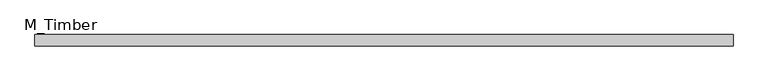
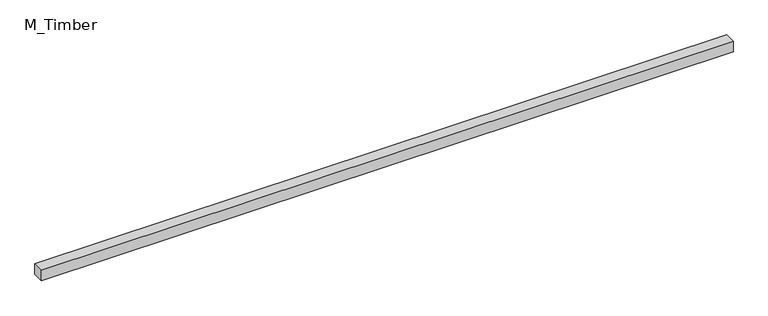
"""IFC4 building model written with IfcOpenShell, lengths in millimetres: beam geometry, M_Timber."""

from ifc_helpers import new_model, si_unit, frame, origin, place, context, project, spatial, polyline, outline, extrude, source, transform, mapped, element, save


def m_timber_7a2097e8(model_context):
    return source(origin(), model_context, "Body", "SweptSolid", [
        extrude(outline(polyline([(1246.3073765, 20.0), (1246.3073765, -20.0), (-1246.3073765, -20.0), (-1246.3073765, 20.0), (1246.3073765, 20.0)])), frame((0.0, 0.0, -20.0), z_axis=(0.0, 0.0, 1.0), x_axis=(1.0, 0.0, 0.0)), (0.0, 0.0, 1.0), 40.0),
    ])


if __name__ == "__main__":
    model = new_model("IFC4")
    model_context = context("Model", 3, world=origin())
    ifc_project = project(units=[si_unit("LENGTHUNIT", "METRE", prefix="MILLI")], contexts=[model_context])
    site = spatial("IfcSite", under=ifc_project)
    building = spatial("IfcBuilding", under=site)
    placement = place(None, origin())
    m_timber_shape = m_timber_7a2097e8(model_context)
    element("IfcBeam", 1, ObjectType="M_Timber", at=placement, inside=building, context=model_context, shape_type="MappedRepresentation", body=[
        mapped(m_timber_shape, transform((0.0, 0.0, 0.0), x_axis=(1.0, 0.0, 0.0), y_axis=(0.0, 1.0, 0.0), z_axis=(0.0, 0.0, 1.0))),
    ])
    save(model, "model.ifc")
